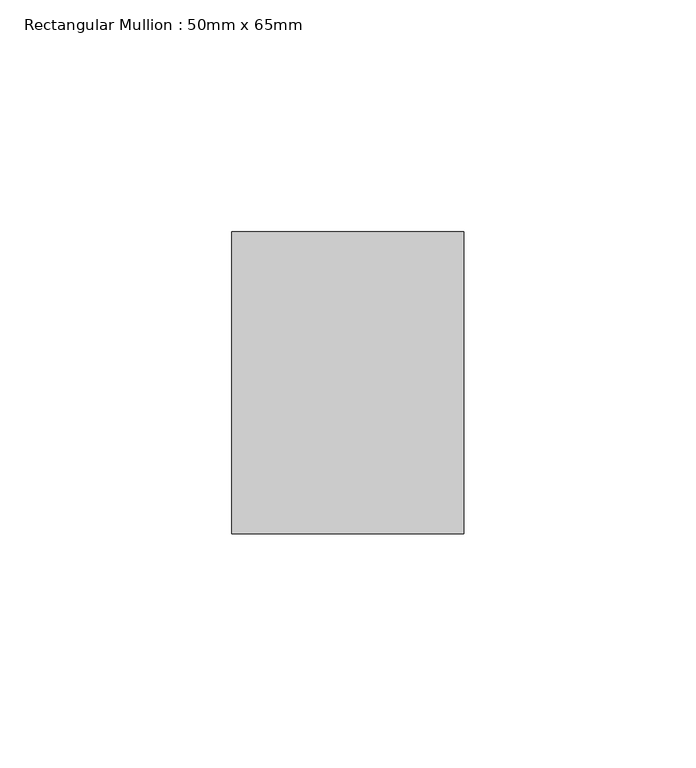
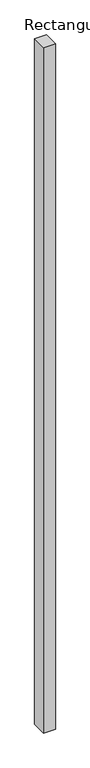
"""IFC4 building model written with IfcOpenShell, lengths in millimetres: member geometry, Rectangular Mullion : 50mm x 65mm."""

from ifc_helpers import new_model, si_unit, frame, origin, place, context, project, spatial, polyline, outline, extrude, source, transform, mapped, element, save


def rectangular_mullion_50mm_x_65mm_75d72933(model_context):
    return source(origin(), model_context, "Body", "SweptSolid", [
        extrude(outline(polyline([(25.0, 32.5), (25.0, -32.5), (-25.0, -32.5), (-25.0, 32.5), (25.0, 32.5)])), frame((0.0, 0.0, -3078.7104145), z_axis=(0.0, 0.0, 1.0), x_axis=(1.0, 0.0, 0.0)), (0.0, 0.0, 1.0), 3078.7104145),
    ])


if __name__ == "__main__":
    model = new_model("IFC4")
    model_context = context("Model", 3, world=origin())
    ifc_project = project(units=[si_unit("LENGTHUNIT", "METRE", prefix="MILLI")], contexts=[model_context])
    site = spatial("IfcSite", under=ifc_project)
    building = spatial("IfcBuilding", under=site)
    placement = place(None, origin())
    rectangular_mullion_50mm_x_65mm_shape = rectangular_mullion_50mm_x_65mm_75d72933(model_context)
    element("IfcMember", 1, ObjectType="Rectangular Mullion : 50mm x 65mm", at=placement, inside=building, context=model_context, shape_type="MappedRepresentation", body=[
        mapped(rectangular_mullion_50mm_x_65mm_shape, transform((0.0, 0.0, 0.0), x_axis=(1.0, 0.0, 0.0), y_axis=(0.0, 1.0, 0.0), z_axis=(0.0, 0.0, 1.0))),
    ])
    save(model, "model.ifc")
